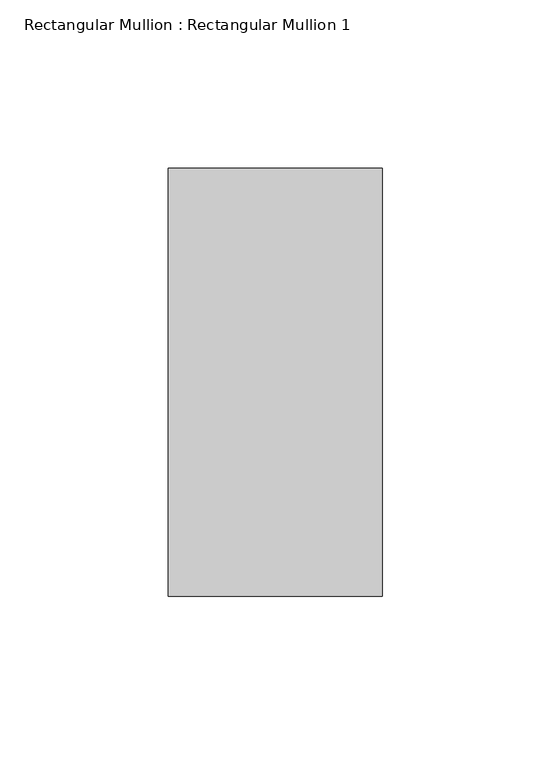
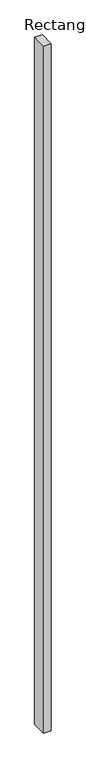
"""IFC4 building model written with IfcOpenShell, lengths in millimetres: member geometry, Rectangular Mullion : Rectangular Mullion 1."""

from ifc_helpers import new_model, si_unit, frame, origin, place, context, project, spatial, polyline, outline, extrude, source, transform, mapped, element, save


def rectangular_mullion_rectangular_mullion_1_320c5c0d(model_context):
    return source(origin(), model_context, "Body", "SweptSolid", [
        extrude(outline(polyline([(0.0, 63.5), (0.0, -63.5), (-63.5, -63.5), (-63.5, 63.5), (0.0, 63.5)])), frame((0.0, 0.0, -6000.75), z_axis=(0.0, 0.0, 1.0), x_axis=(1.0, 0.0, 0.0)), (0.0, 0.0, 1.0), 6000.75),
    ])


if __name__ == "__main__":
    model = new_model("IFC4")
    model_context = context("Model", 3, world=origin())
    ifc_project = project(units=[si_unit("LENGTHUNIT", "METRE", prefix="MILLI")], contexts=[model_context])
    site = spatial("IfcSite", under=ifc_project)
    building = spatial("IfcBuilding", under=site)
    placement = place(None, origin())
    rectangular_mullion_rectangular_mullion_1_shape = rectangular_mullion_rectangular_mullion_1_320c5c0d(model_context)
    element("IfcMember", 1, ObjectType="Rectangular Mullion : Rectangular Mullion 1", at=placement, inside=building, context=model_context, shape_type="MappedRepresentation", body=[
        mapped(rectangular_mullion_rectangular_mullion_1_shape, transform((0.0, 0.0, 0.0), x_axis=(1.0, 0.0, 0.0), y_axis=(0.0, 1.0, 0.0), z_axis=(0.0, 0.0, 1.0))),
    ])
    save(model, "model.ifc")
